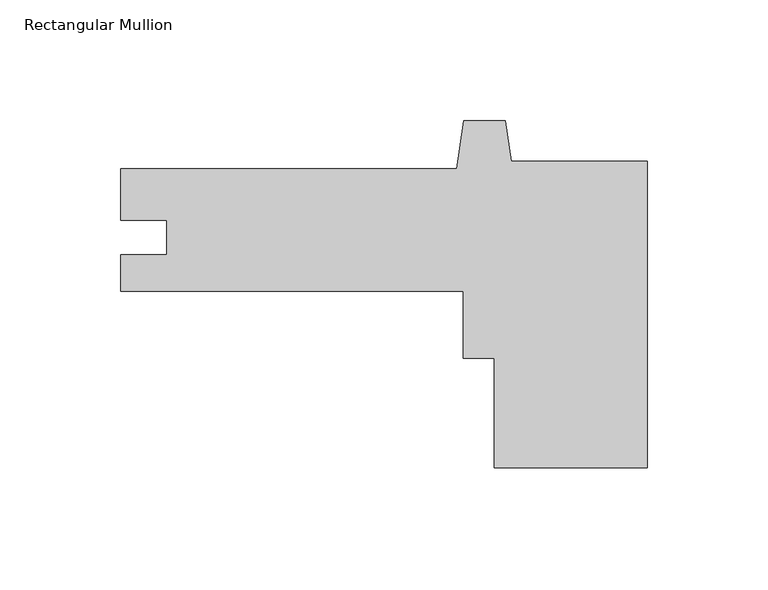
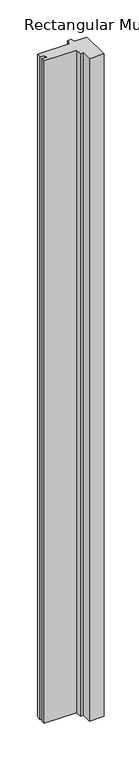
"""IFC4 building model written with IfcOpenShell, lengths in millimetres: member geometry, Rectangular Mullion."""

from ifc_helpers import new_model, si_unit, frame, origin, place, context, project, spatial, polyline, outline, extrude, source, transform, mapped, element, save


def rectangular_mullion_f56e633d(model_context):
    return source(origin(), model_context, "Body", "SweptSolid", [
        extrude(outline(polyline([(-63.5, -73.0833576), (-63.5, -27.7876), (-76.2, -27.7876), (-76.2, -0.0583574), (-218.2812513, -0.0583574), (-218.2812513, 15.0419426), (-199.2566513, 15.0419426), (-199.2566513, 29.354836), (-218.28125, 29.354836), (-218.28125, 50.7416426), (-78.9213985, 50.7416426), (-76.1156321, 70.7057084), (-58.8218685, 70.7057084), (-56.4623191, 53.9166424), (0.0, 53.9166424), (0.0, -73.0833576), (-63.5, -73.0833576)])), frame((0.0, 0.0, -3048.0), z_axis=(0.0, 0.0, 1.0), x_axis=(1.0, 0.0, 0.0)), (0.0, 0.0, 1.0), 3048.0),
    ])


if __name__ == "__main__":
    model = new_model("IFC4")
    model_context = context("Model", 3, world=origin())
    ifc_project = project(units=[si_unit("LENGTHUNIT", "METRE", prefix="MILLI")], contexts=[model_context])
    site = spatial("IfcSite", under=ifc_project)
    building = spatial("IfcBuilding", under=site)
    placement = place(None, origin())
    rectangular_mullion_shape = rectangular_mullion_f56e633d(model_context)
    element("IfcMember", 1, ObjectType="Rectangular Mullion", at=placement, inside=building, context=model_context, shape_type="MappedRepresentation", body=[
        mapped(rectangular_mullion_shape, transform((0.0, 0.0, 0.0), x_axis=(1.0, 0.0, 0.0), y_axis=(0.0, 1.0, 0.0), z_axis=(0.0, 0.0, 1.0))),
    ])
    save(model, "model.ifc")
